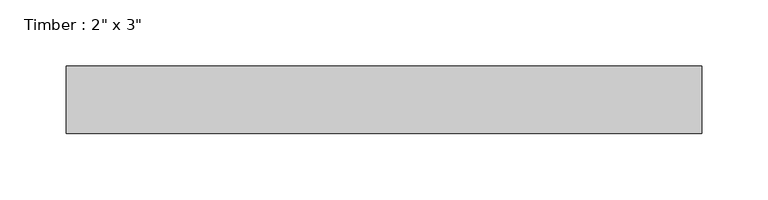
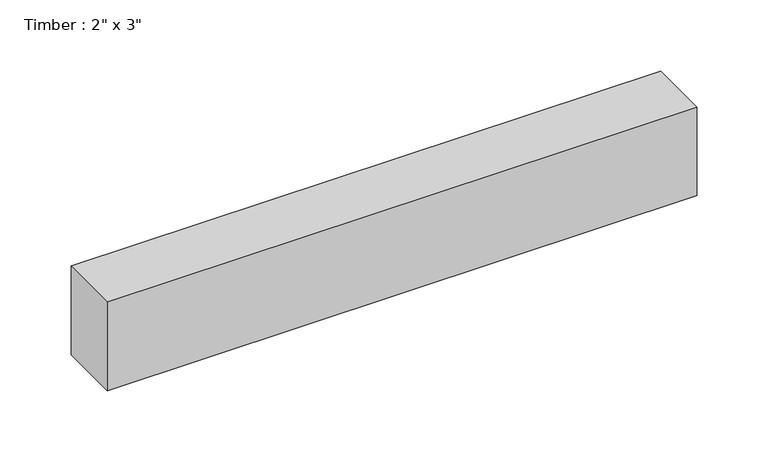
"""IFC4 building model written with IfcOpenShell, lengths in millimetres: beam geometry."""

from ifc_helpers import new_model, si_unit, frame, origin, place, context, project, spatial, polyline, outline, extrude, source, transform, mapped, element, save


def beam_b0b0673a(model_context):
    return source(origin(), model_context, "Body", "SweptSolid", [
        extrude(outline(polyline([(239.2924098, 25.4), (239.2924098, -25.4), (-239.2924098, -25.4), (-239.2924098, 25.4), (239.2924098, 25.4)])), frame((0.0, 0.0, -38.1), z_axis=(0.0, 0.0, 1.0), x_axis=(1.0, 0.0, 0.0)), (0.0, 0.0, 1.0), 76.2),
    ])


if __name__ == "__main__":
    model = new_model("IFC4")
    model_context = context("Model", 3, world=origin())
    ifc_project = project(units=[si_unit("LENGTHUNIT", "METRE", prefix="MILLI")], contexts=[model_context])
    site = spatial("IfcSite", under=ifc_project)
    building = spatial("IfcBuilding", under=site)
    placement = place(None, origin())
    beam_shape = beam_b0b0673a(model_context)
    element("IfcBeam", 1, ObjectType="Timber : 2\" x 3\"", at=placement, inside=building, context=model_context, shape_type="MappedRepresentation", body=[
        mapped(beam_shape, transform((0.0, 0.0, 0.0), x_axis=(1.0, 0.0, 0.0), y_axis=(0.0, 1.0, 0.0), z_axis=(0.0, 0.0, 1.0))),
    ])
    save(model, "model.ifc")
